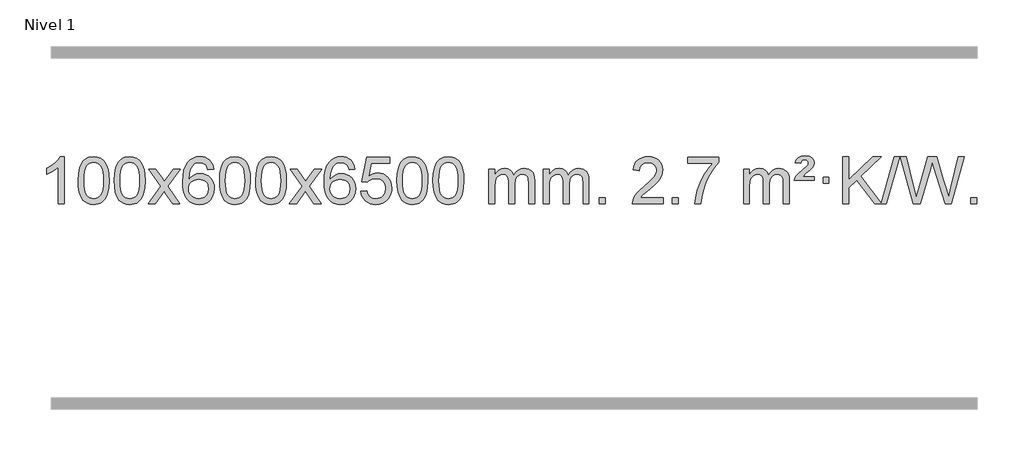
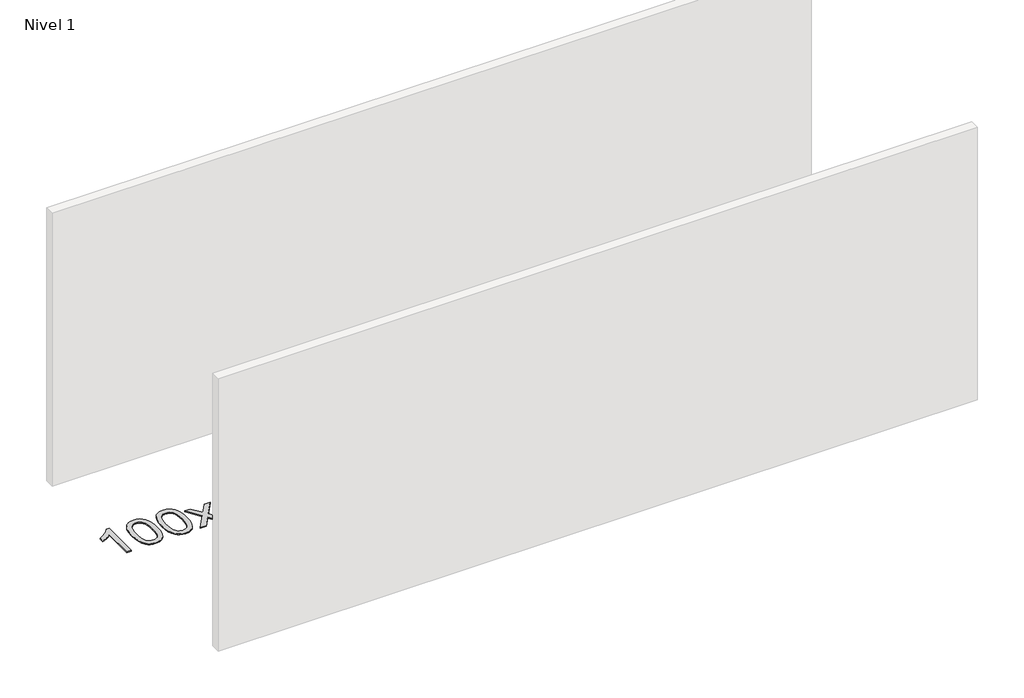
# One storey, part 14 of 21: 1 proxy.
"""IFC4 building model written with IfcOpenShell, lengths in millimetres."""

from ifc_helpers import new_model, si_unit, origin, origin_with_axes, place, context, project, spatial, polyline, outline, extrude, element, save

model = new_model("IFC4")

# Units and contexts
model_context = context("Model", 3, world=origin())
ifc_project = project(units=[si_unit("LENGTHUNIT", "METRE", prefix="MILLI")], contexts=[model_context])

# Site, building, storey
site = spatial("IfcSite", under=ifc_project)
building = spatial("IfcBuilding", under=site)
storey = spatial("IfcBuildingStorey", under=building, Name="Nivel 1", Elevation=0.0)

# Proxy
placement = place(None, origin())
element("IfcBuildingElementProxy", 1, Name="Texto de modelo 1", ObjectType="Texto de modelo 1", at=placement, inside=storey, context=model_context, shape_type="SweptSolid", body=[
    extrude(outline(polyline([(-121.6378538, -15465.579453), (-171.8660089, -15465.579453), (-171.8660089, -15152.4382987), (-192.8352826, -15169.3976587), (-219.4454136, -15186.3324932), (-272.3223191, -15211.6918254), (-272.3223191, -15164.2105225), (-232.8731065, -15142.7507395), (-198.6968691, -15117.219729), (-171.7556443, -15090.0700378), (-154.0114694, -15063.7542124), (-121.6378538, -15063.7542124), (-121.6378538, -15465.579453)])), origin_with_axes(), (0.0, 0.0, 1.0), 10.0),
    extrude(outline(polyline([(-2.3459855, -15267.9041943), (1.3450971, -15203.5861588), (12.4183452, -15152.2911459), (30.763394, -15113.2343407), (42.621457, -15098.0009605), (56.269879, -15085.6309284), (71.7546453, -15076.0598651), (89.1217412, -15069.2233914), (129.5029215, -15063.7542124), (160.4540601, -15066.991574), (188.167837, -15076.7036586), (211.3444027, -15092.5103217), (228.6839074, -15114.0314184), (241.7805065, -15141.0830078), (252.2283551, -15173.4811488), (259.0709602, -15214.6226186), (261.3518286, -15267.9041943), (257.6975341, -15331.8543477), (246.7346507, -15383.0267333), (228.4999664, -15422.1203266), (216.6694946, -15437.3996922), (203.0302696, -15449.8341036), (187.5271092, -15459.4695462), (170.1048311, -15466.3520052), (129.5029215, -15471.8579724), (101.8381955, -15469.4667394), (77.3127291, -15462.2930405), (55.9265225, -15450.3368757), (37.6795755, -15433.5982449), (20.1683926, -15403.3399508), (7.6604047, -15365.6381776), (0.155612, -15320.4929255), (-2.3459855, -15267.9041943)]), holes=[polyline([(47.8821695, -15267.8060924), (49.3536975, -15311.4706195), (53.7682815, -15346.8148822), (61.1259214, -15373.8388804), (71.4266172, -15392.5426142), (83.8855541, -15405.2682656), (97.7179171, -15414.3580165), (112.9237063, -15419.8118671), (129.5029215, -15421.6298173), (146.0821368, -15419.8057357), (161.2879259, -15414.3334911), (175.1202889, -15405.2130833), (187.5792258, -15392.4445124), (197.8799217, -15373.7101217), (205.2375616, -15346.6922549), (209.6521455, -15311.3909118), (211.1236735, -15267.8060924), (209.7011965, -15225.2973278), (205.4337653, -15190.5753989), (198.3213801, -15163.6403055), (188.3640408, -15144.4920476), (176.1135703, -15131.1440625), (162.1217918, -15121.6097875), (146.3887051, -15115.8892225), (128.9143103, -15113.9823675), (112.4209342, -15115.6623619), (97.4726625, -15120.7023452), (84.0694951, -15129.1023175), (72.2114321, -15140.8622786), (61.5673797, -15161.708925), (53.9644852, -15189.8151094), (49.4027484, -15225.1808319), (47.8821695, -15267.8060924)])]), origin_with_axes(), (0.0, 0.0, 1.0), 10.0),
    extrude(outline(polyline([(305.3014643, -15267.9041943), (308.992547, -15203.5861588), (320.065795, -15152.2911459), (338.4108439, -15113.2343407), (350.2689068, -15098.0009605), (363.9173289, -15085.6309284), (379.4020952, -15076.0598651), (396.769191, -15069.2233914), (437.1503714, -15063.7542124), (468.1015099, -15066.991574), (495.8152869, -15076.7036586), (518.9918526, -15092.5103217), (536.3313573, -15114.0314184), (549.4279563, -15141.0830078), (559.8758049, -15173.4811488), (566.7184101, -15214.6226186), (568.9992784, -15267.9041943), (565.3449839, -15331.8543477), (554.3821005, -15383.0267333), (536.1474163, -15422.1203266), (524.3169444, -15437.3996922), (510.6777195, -15449.8341036), (495.174559, -15459.4695462), (477.7522809, -15466.3520052), (437.1503714, -15471.8579724), (409.4856453, -15469.4667394), (384.960179, -15462.2930405), (363.5739723, -15450.3368757), (345.3270254, -15433.5982449), (327.8158424, -15403.3399508), (315.3078546, -15365.6381776), (307.8030619, -15320.4929255), (305.3014643, -15267.9041943)]), holes=[polyline([(355.5296194, -15267.8060924), (357.0011473, -15311.4706195), (361.4157313, -15346.8148822), (368.7733712, -15373.8388804), (379.0740671, -15392.5426142), (391.533004, -15405.2682656), (405.365367, -15414.3580165), (420.5711561, -15419.8118671), (437.1503714, -15421.6298173), (453.7295866, -15419.8057357), (468.9353757, -15414.3334911), (482.7677388, -15405.2130833), (495.2266757, -15392.4445124), (505.5273715, -15373.7101217), (512.8850114, -15346.6922549), (517.2995954, -15311.3909118), (518.7711234, -15267.8060924), (517.3486463, -15225.2973278), (513.0812152, -15190.5753989), (505.9688299, -15163.6403055), (496.0114906, -15144.4920476), (483.7610201, -15131.1440625), (469.7692416, -15121.6097875), (454.0361549, -15115.8892225), (436.5617602, -15113.9823675), (420.068384, -15115.6623619), (405.1201123, -15120.7023452), (391.716945, -15129.1023175), (379.858882, -15140.8622786), (369.2148296, -15161.708925), (361.611935, -15189.8151094), (357.0501983, -15225.1808319), (355.5296194, -15267.8060924)])]), origin_with_axes(), (0.0, 0.0, 1.0), 10.0),
    extrude(outline(polyline([(594.113356, -15465.579453), (701.4367967, -15317.2494325), (600.3918754, -15170.4890419), (660.8226244, -15170.4890419), (709.5792515, -15241.122385), (732.3388843, -15274.4770192), (752.0573592, -15247.2047007), (807.583015, -15170.4890419), (868.0137641, -15170.4890419), (761.8675458, -15317.2494325), (864.0896895, -15465.579453), (803.6589404, -15465.579453), (742.1490708, -15376.4048574), (730.8673563, -15360.1199477), (654.544105, -15465.579453), (594.113356, -15465.579453)])), origin_with_axes(), (0.0, 0.0, 1.0), 10.0),
    extrude(outline(polyline([(1152.9015812, -15170.4890419), (1102.6734261, -15176.7675613), (1094.5800222, -15151.874213), (1083.6416642, -15134.8780648), (1060.857506, -15119.2062918), (1033.3154073, -15113.9823675), (1009.9671633, -15117.0235253), (987.9923455, -15126.1469988), (969.1199991, -15145.3627017), (953.7057435, -15171.8134171), (943.2946831, -15209.227016), (939.4319221, -15261.3313693), (959.5795927, -15237.8237098), (983.7249143, -15221.2567573), (1010.5189863, -15211.434308), (1038.612908, -15208.1601582), (1062.7459669, -15210.398107), (1085.0150903, -15217.1119534), (1105.4202783, -15228.3016975), (1123.9615309, -15243.9673391), (1139.3696551, -15263.1769106), (1150.3754581, -15284.9984443), (1156.97894, -15309.4319401), (1159.1801006, -15336.4773982), (1155.0352967, -15372.4439945), (1142.6008853, -15405.786366), (1122.9069358, -15434.0642287), (1096.9835179, -15454.8372987), (1066.0078539, -15467.602804), (1031.1571662, -15471.8579724), (1001.2146375, -15469.0375437), (974.1722452, -15460.5762579), (950.0299893, -15446.4741147), (928.7878697, -15426.7311143), (911.4698248, -15400.5133908), (899.0997927, -15366.9870783), (891.6777734, -15326.1521768), (889.203767, -15278.0086864), (891.9506193, -15224.0342663), (900.191176, -15177.9693092), (913.9254371, -15139.8138149), (933.1534027, -15109.5677835), (953.9939177, -15089.5243462), (978.1576335, -15075.2076052), (1005.6445499, -15066.6175606), (1036.454667, -15063.7542124), (1059.5883131, -15065.5261773), (1080.52693, -15070.8420722), (1099.2705176, -15079.7018969), (1115.8190761, -15092.1056515), (1129.7250155, -15107.6364031), (1140.5407461, -15125.8772186), (1148.266268, -15146.8280983), (1152.9015812, -15170.4890419)]), holes=[polyline([(939.4319221, -15335.6925832), (942.3381899, -15357.9494439), (951.0569932, -15379.2007605), (964.5950506, -15397.472233), (981.9590807, -15410.7895612), (1002.9160917, -15418.9197533), (1027.2330916, -15421.6298173), (1060.3792594, -15416.0134855), (1074.2943959, -15408.9930708), (1086.4375674, -15399.1644901), (1096.2876078, -15386.9262824), (1103.323351, -15372.6769865), (1108.9519455, -15338.1451299), (1103.3969274, -15304.9989621), (1096.4531547, -15291.3781312), (1086.731873, -15279.725469), (1074.5519133, -15270.3904634), (1060.2321066, -15263.7226022), (1025.1729524, -15258.3883133), (992.0758356, -15263.7226022), (964.3988468, -15279.725469), (953.4758173, -15291.2248471), (945.6736533, -15304.3858254), (940.9923549, -15319.2084042), (939.4319221, -15335.6925832)])]), origin_with_axes(), (0.0, 0.0, 1.0), 10.0),
    extrude(outline(polyline([(1203.1297362, -15267.9041943), (1206.8208189, -15203.5861588), (1217.894067, -15152.2911459), (1236.2391158, -15113.2343407), (1248.0971788, -15098.0009605), (1261.7456008, -15085.6309284), (1277.2303671, -15076.0598651), (1294.597463, -15069.2233914), (1334.9786433, -15063.7542124), (1365.9297818, -15066.991574), (1393.6435588, -15076.7036586), (1416.8201245, -15092.5103217), (1434.1596292, -15114.0314184), (1447.2562282, -15141.0830078), (1457.7040769, -15173.4811488), (1464.546682, -15214.6226186), (1466.8275504, -15267.9041943), (1463.1732559, -15331.8543477), (1452.2103725, -15383.0267333), (1433.9756882, -15422.1203266), (1422.1452164, -15437.3996922), (1408.5059914, -15449.8341036), (1393.002831, -15459.4695462), (1375.5805529, -15466.3520052), (1334.9786433, -15471.8579724), (1307.3139173, -15469.4667394), (1282.7884509, -15462.2930405), (1261.4022443, -15450.3368757), (1243.1552973, -15433.5982449), (1225.6441144, -15403.3399508), (1213.1361265, -15365.6381776), (1205.6313338, -15320.4929255), (1203.1297362, -15267.9041943)]), holes=[polyline([(1253.3578913, -15267.8060924), (1254.8294193, -15311.4706195), (1259.2440032, -15346.8148822), (1266.6016432, -15373.8388804), (1276.902339, -15392.5426142), (1289.3612759, -15405.2682656), (1303.1936389, -15414.3580165), (1318.3994281, -15419.8118671), (1334.9786433, -15421.6298173), (1351.5578586, -15419.8057357), (1366.7636477, -15414.3334911), (1380.5960107, -15405.2130833), (1393.0549476, -15392.4445124), (1403.3556435, -15373.7101217), (1410.7132834, -15346.6922549), (1415.1278673, -15311.3909118), (1416.5993953, -15267.8060924), (1415.1769183, -15225.2973278), (1410.9094871, -15190.5753989), (1403.7971019, -15163.6403055), (1393.8397625, -15144.4920476), (1381.5892921, -15131.1440625), (1367.5975136, -15121.6097875), (1351.8644269, -15115.8892225), (1334.3900321, -15113.9823675), (1317.896656, -15115.6623619), (1302.9483843, -15120.7023452), (1289.5452169, -15129.1023175), (1277.6871539, -15140.8622786), (1267.0431015, -15161.708925), (1259.440207, -15189.8151094), (1254.8784702, -15225.1808319), (1253.3578913, -15267.8060924)])]), origin_with_axes(), (0.0, 0.0, 1.0), 10.0),
    extrude(outline(polyline([(1510.7771861, -15267.9041943), (1514.4682688, -15203.5861588), (1525.5415168, -15152.2911459), (1543.8865656, -15113.2343407), (1555.7446286, -15098.0009605), (1569.3930506, -15085.6309284), (1584.877817, -15076.0598651), (1602.2449128, -15069.2233914), (1642.6260932, -15063.7542124), (1673.5772317, -15066.991574), (1701.2910087, -15076.7036586), (1724.4675743, -15092.5103217), (1741.8070791, -15114.0314184), (1754.9036781, -15141.0830078), (1765.3515267, -15173.4811488), (1772.1941319, -15214.6226186), (1774.4750002, -15267.9041943), (1770.8207057, -15331.8543477), (1759.8578223, -15383.0267333), (1741.6231381, -15422.1203266), (1729.7926662, -15437.3996922), (1716.1534413, -15449.8341036), (1700.6502808, -15459.4695462), (1683.2280027, -15466.3520052), (1642.6260932, -15471.8579724), (1614.9613671, -15469.4667394), (1590.4359008, -15462.2930405), (1569.0496941, -15450.3368757), (1550.8027472, -15433.5982449), (1533.2915642, -15403.3399508), (1520.7835764, -15365.6381776), (1513.2787836, -15320.4929255), (1510.7771861, -15267.9041943)]), holes=[polyline([(1561.0053412, -15267.8060924), (1562.4768691, -15311.4706195), (1566.8914531, -15346.8148822), (1574.249093, -15373.8388804), (1584.5497888, -15392.5426142), (1597.0087258, -15405.2682656), (1610.8410888, -15414.3580165), (1626.0468779, -15419.8118671), (1642.6260932, -15421.6298173), (1659.2053084, -15419.8057357), (1674.4110975, -15414.3334911), (1688.2434606, -15405.2130833), (1700.7023975, -15392.4445124), (1711.0030933, -15373.7101217), (1718.3607332, -15346.6922549), (1722.7753172, -15311.3909118), (1724.2468452, -15267.8060924), (1722.8243681, -15225.2973278), (1718.556937, -15190.5753989), (1711.4445517, -15163.6403055), (1701.4872124, -15144.4920476), (1689.2367419, -15131.1440625), (1675.2449634, -15121.6097875), (1659.5118767, -15115.8892225), (1642.037482, -15113.9823675), (1625.5441058, -15115.6623619), (1610.5958341, -15120.7023452), (1597.1926667, -15129.1023175), (1585.3346038, -15140.8622786), (1574.6905514, -15161.708925), (1567.0876568, -15189.8151094), (1562.5259201, -15225.1808319), (1561.0053412, -15267.8060924)])]), origin_with_axes(), (0.0, 0.0, 1.0), 10.0),
    extrude(outline(polyline([(1799.5890778, -15465.579453), (1906.9125185, -15317.2494325), (1805.8675971, -15170.4890419), (1866.2983462, -15170.4890419), (1915.0549733, -15241.122385), (1937.8146061, -15274.4770192), (1957.533081, -15247.2047007), (2013.0587368, -15170.4890419), (2073.4894859, -15170.4890419), (1967.3432676, -15317.2494325), (2069.5654113, -15465.579453), (2009.1346622, -15465.579453), (1947.6247926, -15376.4048574), (1936.3430781, -15360.1199477), (1860.0198268, -15465.579453), (1799.5890778, -15465.579453)])), origin_with_axes(), (0.0, 0.0, 1.0), 10.0),
    extrude(outline(polyline([(2358.377303, -15170.4890419), (2308.1491479, -15176.7675613), (2300.055744, -15151.874213), (2289.117386, -15134.8780648), (2266.3332278, -15119.2062918), (2238.7911291, -15113.9823675), (2215.4428851, -15117.0235253), (2193.4680673, -15126.1469988), (2174.5957209, -15145.3627017), (2159.1814653, -15171.8134171), (2148.7704049, -15209.227016), (2144.9076439, -15261.3313693), (2165.0553145, -15237.8237098), (2189.2006361, -15221.2567573), (2215.9947081, -15211.434308), (2244.0886298, -15208.1601582), (2268.2216887, -15210.398107), (2290.4908121, -15217.1119534), (2310.8960001, -15228.3016975), (2329.4372527, -15243.9673391), (2344.8453769, -15263.1769106), (2355.8511799, -15284.9984443), (2362.4546617, -15309.4319401), (2364.6558224, -15336.4773982), (2360.5110185, -15372.4439945), (2348.0766071, -15405.786366), (2328.3826576, -15434.0642287), (2302.4592397, -15454.8372987), (2271.4835757, -15467.602804), (2236.632888, -15471.8579724), (2206.6903593, -15469.0375437), (2179.647967, -15460.5762579), (2155.505711, -15446.4741147), (2134.2635915, -15426.7311143), (2116.9455466, -15400.5133908), (2104.5755145, -15366.9870783), (2097.1534952, -15326.1521768), (2094.6794888, -15278.0086864), (2097.4263411, -15224.0342663), (2105.6668977, -15177.9693092), (2119.4011589, -15139.8138149), (2138.6291245, -15109.5677835), (2159.4696395, -15089.5243462), (2183.6333553, -15075.2076052), (2211.1202717, -15066.6175606), (2241.9303888, -15063.7542124), (2265.0640349, -15065.5261773), (2286.0026518, -15070.8420722), (2304.7462394, -15079.7018969), (2321.2947979, -15092.1056515), (2335.2007373, -15107.6364031), (2346.0164679, -15125.8772186), (2353.7419898, -15146.8280983), (2358.377303, -15170.4890419)]), holes=[polyline([(2144.9076439, -15335.6925832), (2147.8139117, -15357.9494439), (2156.5327149, -15379.2007605), (2170.0707724, -15397.472233), (2187.4348025, -15410.7895612), (2208.3918135, -15418.9197533), (2232.7088134, -15421.6298173), (2265.8549812, -15416.0134855), (2279.7701177, -15408.9930708), (2291.9132892, -15399.1644901), (2301.7633296, -15386.9262824), (2308.7990728, -15372.6769865), (2314.4276673, -15338.1451299), (2308.8726492, -15304.9989621), (2301.9288765, -15291.3781312), (2292.2075948, -15279.725469), (2280.027635, -15270.3904634), (2265.7078284, -15263.7226022), (2230.6486742, -15258.3883133), (2197.5515574, -15263.7226022), (2169.8745686, -15279.725469), (2158.9515391, -15291.2248471), (2151.1493751, -15304.3858254), (2146.4680767, -15319.2084042), (2144.9076439, -15335.6925832)])]), origin_with_axes(), (0.0, 0.0, 1.0), 10.0),
    extrude(outline(polyline([(2408.605458, -15358.8446235), (2458.8336131, -15352.5661041), (2468.0551885, -15382.7201649), (2484.1438944, -15404.3148381), (2507.0261545, -15417.3010725), (2536.6283924, -15421.6298173), (2555.7582561, -15420.1245668), (2572.631777, -15415.6088153), (2587.2489549, -15408.0825628), (2599.6097899, -15397.5458094), (2609.4383706, -15384.519721), (2616.4587853, -15369.5254641), (2622.0751171, -15333.6324441), (2616.8144046, -15299.8363514), (2610.2385139, -15285.9181493), (2601.032267, -15273.9865099), (2589.165007, -15264.4154467), (2574.606077, -15257.5789729), (2537.4132073, -15252.1097939), (2513.0471565, -15254.2925604), (2493.3164188, -15260.8408599), (2477.5588067, -15270.8717757), (2465.1121325, -15283.5023908), (2414.8839774, -15277.2238715), (2458.8336131, -15070.0327318), (2653.467714, -15070.0327318), (2653.467714, -15120.2608869), (2499.4477854, -15120.2608869), (2477.9634769, -15230.919791), (2495.6892577, -15218.2155994), (2513.8442341, -15209.1411769), (2532.4284063, -15203.6965234), (2551.441774, -15201.8816388), (2575.902861, -15204.1318504), (2598.3712539, -15210.882485), (2618.8469526, -15222.1335427), (2637.3299572, -15237.8850234), (2652.6307825, -15257.1743027), (2663.5599434, -15279.038756), (2670.11744, -15303.4783832), (2672.3032722, -15330.4931844), (2670.3351035, -15356.5147042), (2664.4305975, -15380.7213394), (2654.5897541, -15403.1130902), (2640.8125734, -15423.6899565), (2619.9414015, -15444.7634634), (2595.5876135, -15459.8159684), (2567.7512092, -15468.8474714), (2536.4321886, -15471.8579724), (2510.5118364, -15469.9235262), (2487.0992131, -15464.1201877), (2466.1943187, -15454.447957), (2447.7971533, -15440.9068338), (2432.4901966, -15424.1712688), (2420.8559285, -15404.915712), (2412.894349, -15383.1401636), (2408.605458, -15358.8446235)])), origin_with_axes(), (0.0, 0.0, 1.0), 10.0),
    extrude(outline(polyline([(2716.2529079, -15267.9041943), (2719.9439906, -15203.5861588), (2731.0172386, -15152.2911459), (2749.3622874, -15113.2343407), (2761.2203504, -15098.0009605), (2774.8687724, -15085.6309284), (2790.3535388, -15076.0598651), (2807.7206346, -15069.2233914), (2848.1018149, -15063.7542124), (2879.0529535, -15066.991574), (2906.7667304, -15076.7036586), (2929.9432961, -15092.5103217), (2947.2828008, -15114.0314184), (2960.3793999, -15141.0830078), (2970.8272485, -15173.4811488), (2977.6698537, -15214.6226186), (2979.950722, -15267.9041943), (2976.2964275, -15331.8543477), (2965.3335441, -15383.0267333), (2947.0988599, -15422.1203266), (2935.268388, -15437.3996922), (2921.6291631, -15449.8341036), (2906.1260026, -15459.4695462), (2888.7037245, -15466.3520052), (2848.1018149, -15471.8579724), (2820.4370889, -15469.4667394), (2795.9116226, -15462.2930405), (2774.5254159, -15450.3368757), (2756.278469, -15433.5982449), (2738.767286, -15403.3399508), (2726.2592981, -15365.6381776), (2718.7545054, -15320.4929255), (2716.2529079, -15267.9041943)]), holes=[polyline([(2766.481063, -15267.8060924), (2767.9525909, -15311.4706195), (2772.3671749, -15346.8148822), (2779.7248148, -15373.8388804), (2790.0255106, -15392.5426142), (2802.4844475, -15405.2682656), (2816.3168106, -15414.3580165), (2831.5225997, -15419.8118671), (2848.1018149, -15421.6298173), (2864.6810302, -15419.8057357), (2879.8868193, -15414.3334911), (2893.7191824, -15405.2130833), (2906.1781193, -15392.4445124), (2916.4788151, -15373.7101217), (2923.836455, -15346.6922549), (2928.251039, -15311.3909118), (2929.7225669, -15267.8060924), (2928.3000899, -15225.2973278), (2924.0326588, -15190.5753989), (2916.9202735, -15163.6403055), (2906.9629342, -15144.4920476), (2894.7124637, -15131.1440625), (2880.7206852, -15121.6097875), (2864.9875985, -15115.8892225), (2847.5132038, -15113.9823675), (2831.0198276, -15115.6623619), (2816.0715559, -15120.7023452), (2802.6683885, -15129.1023175), (2790.8103256, -15140.8622786), (2780.1662732, -15161.708925), (2772.5633786, -15189.8151094), (2768.0016419, -15225.1808319), (2766.481063, -15267.8060924)])]), origin_with_axes(), (0.0, 0.0, 1.0), 10.0),
    extrude(outline(polyline([(3023.9003577, -15267.9041943), (3027.5914404, -15203.5861588), (3038.6646885, -15152.2911459), (3057.0097373, -15113.2343407), (3068.8678003, -15098.0009605), (3082.5162223, -15085.6309284), (3098.0009886, -15076.0598651), (3115.3680844, -15069.2233914), (3155.7492648, -15063.7542124), (3186.7004033, -15066.991574), (3214.4141803, -15076.7036586), (3237.590746, -15092.5103217), (3254.9302507, -15114.0314184), (3268.0268497, -15141.0830078), (3278.4746984, -15173.4811488), (3285.3173035, -15214.6226186), (3287.5981719, -15267.9041943), (3283.9438774, -15331.8543477), (3272.9809939, -15383.0267333), (3254.7463097, -15422.1203266), (3242.9158379, -15437.3996922), (3229.2766129, -15449.8341036), (3213.7734525, -15459.4695462), (3196.3511743, -15466.3520052), (3155.7492648, -15471.8579724), (3128.0845387, -15469.4667394), (3103.5590724, -15462.2930405), (3082.1728657, -15450.3368757), (3063.9259188, -15433.5982449), (3046.4147358, -15403.3399508), (3033.906748, -15365.6381776), (3026.4019553, -15320.4929255), (3023.9003577, -15267.9041943)]), holes=[polyline([(3074.1285128, -15267.8060924), (3075.6000408, -15311.4706195), (3080.0146247, -15346.8148822), (3087.3722646, -15373.8388804), (3097.6729605, -15392.5426142), (3110.1318974, -15405.2682656), (3123.9642604, -15414.3580165), (3139.1700495, -15419.8118671), (3155.7492648, -15421.6298173), (3172.32848, -15419.8057357), (3187.5342692, -15414.3334911), (3201.3666322, -15405.2130833), (3213.8255691, -15392.4445124), (3224.126265, -15373.7101217), (3231.4839049, -15346.6922549), (3235.8984888, -15311.3909118), (3237.3700168, -15267.8060924), (3235.9475397, -15225.2973278), (3231.6801086, -15190.5753989), (3224.5677233, -15163.6403055), (3214.610384, -15144.4920476), (3202.3599136, -15131.1440625), (3188.368135, -15121.6097875), (3172.6350484, -15115.8892225), (3155.1606536, -15113.9823675), (3138.6672775, -15115.6623619), (3123.7190057, -15120.7023452), (3110.3158384, -15129.1023175), (3098.4577754, -15140.8622786), (3087.813723, -15161.708925), (3080.2108284, -15189.8151094), (3075.6490917, -15225.1808319), (3074.1285128, -15267.8060924)])]), origin_with_axes(), (0.0, 0.0, 1.0), 10.0),
    extrude(outline(polyline([(3501.0678309, -15465.579453), (3501.0678309, -15170.4890419), (3551.295986, -15170.4890419), (3551.295986, -15219.0494653), (3566.4036733, -15196.7435537), (3585.8278426, -15179.2691589), (3608.9063064, -15167.9751816), (3634.9768772, -15164.2105225), (3662.9113833, -15168.048758), (3685.3031341, -15179.5634645), (3702.0295022, -15197.9943524), (3712.9678601, -15222.5811324), (3731.2761208, -15197.0439906), (3752.1595554, -15178.803175), (3775.6181639, -15167.8586857), (3801.6519464, -15164.2105225), (3821.7597632, -15165.7280358), (3839.4089019, -15170.2805755), (3854.5993626, -15177.8681416), (3867.3311453, -15188.4907342), (3877.3957836, -15202.2709806), (3884.5848109, -15219.3315082), (3888.8982273, -15239.6723168), (3890.3360328, -15263.2934066), (3890.3360328, -15465.579453), (3840.1078777, -15465.579453), (3840.1078777, -15284.875817), (3838.942918, -15259.8230531), (3835.4480391, -15242.9372695), (3828.8997396, -15231.3735121), (3818.5745182, -15222.2868268), (3805.2939782, -15216.4007149), (3789.8797226, -15214.4386776), (3762.6687177, -15219.4663982), (3740.4854334, -15234.54956), (3731.8800604, -15246.1194488), (3725.7333654, -15260.7182326), (3720.8160094, -15299.0024856), (3720.8160094, -15465.579453), (3670.5878543, -15465.579453), (3670.5878543, -15279.2840106), (3667.6815865, -15250.8835206), (3658.9627833, -15230.6254854), (3643.6221041, -15218.4853796), (3620.8502086, -15214.4386776), (3601.4996156, -15217.1364789), (3583.6696016, -15225.2298828), (3568.9543218, -15238.5226856), (3558.9479315, -15256.8186835), (3553.2089724, -15282.2025411), (3551.295986, -15316.7589232), (3551.295986, -15465.579453), (3501.0678309, -15465.579453)])), origin_with_axes(), (0.0, 0.0, 1.0), 10.0),
    extrude(outline(polyline([(3965.6782654, -15465.579453), (3965.6782654, -15170.4890419), (4015.9064204, -15170.4890419), (4015.9064204, -15219.0494653), (4031.0141077, -15196.7435537), (4050.4382771, -15179.2691589), (4073.5167409, -15167.9751816), (4099.5873116, -15164.2105225), (4127.5218178, -15168.048758), (4149.9135685, -15179.5634645), (4166.6399366, -15197.9943524), (4177.5782946, -15222.5811324), (4195.8865552, -15197.0439906), (4216.7699898, -15178.803175), (4240.2285984, -15167.8586857), (4266.2623809, -15164.2105225), (4286.3701976, -15165.7280358), (4304.0193363, -15170.2805755), (4319.209797, -15177.8681416), (4331.9415798, -15188.4907342), (4342.006218, -15202.2709806), (4349.1952453, -15219.3315082), (4353.5086617, -15239.6723168), (4354.9464672, -15263.2934066), (4354.9464672, -15465.579453), (4304.7183121, -15465.579453), (4304.7183121, -15284.875817), (4303.5533525, -15259.8230531), (4300.0584735, -15242.9372695), (4293.510174, -15231.3735121), (4283.1849527, -15222.2868268), (4269.9044126, -15216.4007149), (4254.490157, -15214.4386776), (4227.2791521, -15219.4663982), (4205.0958678, -15234.54956), (4196.4904948, -15246.1194488), (4190.3437998, -15260.7182326), (4185.4264438, -15299.0024856), (4185.4264438, -15465.579453), (4135.1982887, -15465.579453), (4135.1982887, -15279.2840106), (4132.292021, -15250.8835206), (4123.5732177, -15230.6254854), (4108.2325385, -15218.4853796), (4085.460643, -15214.4386776), (4066.11005, -15217.1364789), (4048.280036, -15225.2298828), (4033.5647562, -15238.5226856), (4023.5583659, -15256.8186835), (4017.8194068, -15282.2025411), (4015.9064204, -15316.7589232), (4015.9064204, -15465.579453), (3965.6782654, -15465.579453)])), origin_with_axes(), (0.0, 0.0, 1.0), 10.0),
    extrude(outline(polyline([(4442.8457386, -15465.579453), (4442.8457386, -15415.3512979), (4493.0738936, -15415.3512979), (4493.0738936, -15465.579453), (4442.8457386, -15465.579453)])), origin_with_axes(), (0.0, 0.0, 1.0), 10.0),
    extrude(outline(polyline([(4989.076925, -15415.3512979), (4989.076925, -15465.579453), (4725.3791109, -15465.579453), (4726.4827569, -15447.8965918), (4730.7747135, -15430.9494945), (4743.160074, -15403.8856424), (4761.2843936, -15377.6311307), (4787.5021171, -15350.1503456), (4824.1676893, -15319.4076736), (4878.3689699, -15271.2641831), (4910.8897383, -15235.7267824), (4927.1501225, -15206.884834), (4932.5702506, -15178.8277005), (4927.4566908, -15153.6768347), (4912.1160116, -15132.7688747), (4888.5347757, -15118.6789943), (4858.6995459, -15113.9823675), (4827.3682627, -15118.5686297), (4803.0267373, -15132.3274163), (4787.3181761, -15154.1796068), (4781.8857853, -15183.0460807), (4731.6576303, -15176.7675613), (4735.977178, -15150.838012), (4743.8345243, -15128.1826125), (4755.2296691, -15108.8013627), (4770.1626124, -15092.6942627), (4788.2899977, -15080.0329907), (4809.2684685, -15070.989225), (4833.0980247, -15065.5629655), (4859.7786664, -15063.7542124), (4886.6984314, -15065.7653006), (4910.6567464, -15071.7985654), (4931.6536112, -15081.8540066), (4949.6890261, -15095.9316242), (4964.1743796, -15112.9890861), (4974.5210607, -15131.9840598), (4980.7290694, -15152.9165453), (4982.7984056, -15175.7865427), (4980.5665882, -15199.8092369), (4973.8711359, -15223.4149983), (4961.9885474, -15247.4254299), (4944.1953216, -15272.6621347), (4915.8316198, -15302.7916701), (4872.2376033, -15341.4805933), (4814.4556046, -15389.795762), (4791.7940737, -15415.3512979), (4989.076925, -15415.3512979)])), origin_with_axes(), (0.0, 0.0, 1.0), 10.0),
    extrude(outline(polyline([(5064.4191576, -15465.579453), (5064.4191576, -15415.3512979), (5114.6473127, -15415.3512979), (5114.6473127, -15465.579453), (5064.4191576, -15465.579453)])), origin_with_axes(), (0.0, 0.0, 1.0), 10.0),
    extrude(outline(polyline([(5196.2680647, -15120.2608869), (5196.2680647, -15070.0327318), (5459.9658788, -15070.0327318), (5459.9658788, -15110.646904), (5422.3806017, -15158.214046), (5385.1632065, -15218.7061088), (5352.3358698, -15286.6048623), (5327.920768, -15356.3920768), (5315.9523405, -15408.6067947), (5309.2814136, -15465.579453), (5259.0532585, -15465.579453), (5264.4856493, -15413.8061935), (5279.0169881, -15352.2717985), (5302.2548675, -15287.0463207), (5333.80688, -15224.1998132), (5370.6441304, -15167.3865704), (5409.7377238, -15120.2608869), (5196.2680647, -15120.2608869)])), origin_with_axes(), (0.0, 0.0, 1.0), 10.0),
    extrude(outline(polyline([(5673.4355379, -15465.579453), (5673.4355379, -15170.4890419), (5723.663693, -15170.4890419), (5723.663693, -15219.0494653), (5738.7713803, -15196.7435537), (5758.1955496, -15179.2691589), (5781.2740134, -15167.9751816), (5807.3445842, -15164.2105225), (5835.2790903, -15168.048758), (5857.6708411, -15179.5634645), (5874.3972091, -15197.9943524), (5885.3355671, -15222.5811324), (5903.6438278, -15197.0439906), (5924.5272623, -15178.803175), (5947.9858709, -15167.8586857), (5974.0196534, -15164.2105225), (5994.1274702, -15165.7280358), (6011.7766089, -15170.2805755), (6026.9670696, -15177.8681416), (6039.6988523, -15188.4907342), (6049.7634906, -15202.2709806), (6056.9525179, -15219.3315082), (6061.2659343, -15239.6723168), (6062.7037397, -15263.2934066), (6062.7037397, -15465.579453), (6012.4755847, -15465.579453), (6012.4755847, -15284.875817), (6011.310625, -15259.8230531), (6007.8157461, -15242.9372695), (6001.2674465, -15231.3735121), (5990.9422252, -15222.2868268), (5977.6616852, -15216.4007149), (5962.2474296, -15214.4386776), (5935.0364247, -15219.4663982), (5912.8531404, -15234.54956), (5904.2477674, -15246.1194488), (5898.1010724, -15260.7182326), (5893.1837164, -15299.0024856), (5893.1837164, -15465.579453), (5842.9555613, -15465.579453), (5842.9555613, -15279.2840106), (5840.0492935, -15250.8835206), (5831.3304902, -15230.6254854), (5815.989811, -15218.4853796), (5793.2179155, -15214.4386776), (5773.8673226, -15217.1364789), (5756.0373086, -15225.2298828), (5741.3220287, -15238.5226856), (5731.3156385, -15256.8186835), (5725.5766794, -15282.2025411), (5723.663693, -15316.7589232), (5723.663693, -15465.579453), (5673.4355379, -15465.579453)])), origin_with_axes(), (0.0, 0.0, 1.0), 10.0),
    extrude(outline(polyline([(6106.6533754, -15264.6668327), (6110.4793482, -15248.8479069), (6118.8180067, -15232.9799302), (6140.3268407, -15207.8413272), (6172.2835234, -15180.1030247), (6216.4293628, -15142.726214), (6223.5662735, -15131.1992448), (6225.9452437, -15119.3779701), (6224.0567828, -15107.2869152), (6218.3914001, -15097.5012541), (6209.022672, -15091.026531), (6196.0241748, -15088.8682899), (6183.5897634, -15090.4869707), (6174.73607, -15095.343013), (6168.3103978, -15104.8098431), (6163.1600499, -15120.2608869), (6112.9318948, -15113.9823675), (6123.7721509, -15088.7701881), (6140.4004171, -15071.2099542), (6164.165594, -15060.9092583), (6196.4165822, -15057.475693), (6232.1992376, -15061.6082341), (6256.9454332, -15074.0058573), (6271.3664074, -15092.3386434), (6276.1733988, -15114.2766731), (6272.0776459, -15137.1834586), (6259.7903873, -15158.8149199), (6239.262572, -15178.6314968), (6202.7932035, -15206.6886303), (6177.1886166, -15233.2742358), (6276.1733988, -15233.2742358), (6276.1733988, -15264.6668327), (6106.6533754, -15264.6668327)])), origin_with_axes(), (0.0, 0.0, 1.0), 10.0),
    extrude(outline(polyline([(6351.5156314, -15289.7809102), (6351.5156314, -15239.5527552), (6401.7437865, -15239.5527552), (6401.7437865, -15289.7809102), (6351.5156314, -15289.7809102)])), origin_with_axes(), (0.0, 0.0, 1.0), 10.0),
    extrude(outline(polyline([(6792.3854144, -15465.579453), (6638.954097, -15262.9009991), (6571.2638099, -15327.4520265), (6571.2638099, -15465.579453), (6521.0356548, -15465.579453), (6521.0356548, -15063.7542124), (6571.2638099, -15063.7542124), (6571.2638099, -15260.4484525), (6777.2777272, -15063.7542124), (6847.5186628, -15063.7542124), (6674.5650741, -15228.9577537), (6849.218684, -15459.5349332), (6960.5320117, -15063.7542124), (7005.8550735, -15063.7542124), (6892.8417246, -15465.579453), (6853.7971822, -15465.579453), (6847.5186628, -15465.579453), (6792.3854144, -15465.579453)])), origin_with_axes(), (0.0, 0.0, 1.0), 10.0),
    extrude(outline(polyline([(7120.3399504, -15465.579453), (7010.7601668, -15063.7542124), (7062.5579517, -15063.7542124), (7126.1279605, -15327.844434), (7145.7483335, -15409.3670841), (7166.7421327, -15337.2622131), (7246.4008474, -15063.7542124), (7321.056367, -15063.7542124), (7378.9364675, -15262.0180823), (7403.731714, -15335.5944814), (7422.0031864, -15409.3670841), (7441.0349483, -15330.1988788), (7505.1935683, -15063.7542124), (7556.9913532, -15063.7542124), (7447.3134677, -15465.579453), (7393.6517474, -15465.579453), (7297.3157155, -15155.5775584), (7283.87576, -15112.3146358), (7268.7680727, -15164.4067263), (7180.9669032, -15465.579453), (7120.3399504, -15465.579453)])), origin_with_axes(), (0.0, 0.0, 1.0), 10.0),
    extrude(outline(polyline([(7613.4980277, -15465.579453), (7613.4980277, -15415.3512979), (7663.7261827, -15415.3512979), (7663.7261827, -15465.579453), (7613.4980277, -15465.579453)])), origin_with_axes(), (0.0, 0.0, 1.0), 10.0),
])

save(model, "model.ifc")
